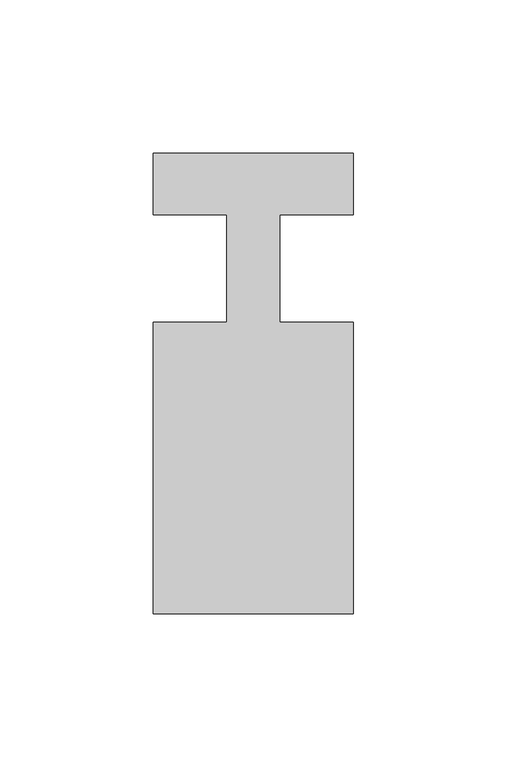
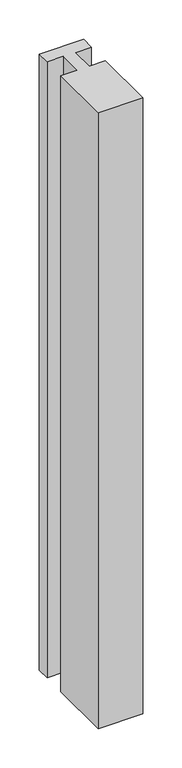
"""IFC4 building model written with IfcOpenShell, lengths in millimetres: member geometry."""

from ifc_helpers import new_model, si_unit, frame, origin, place, context, project, spatial, polyline, outline, extrude, source, transform, mapped, element, save


def member_3fa6e2c1(model_context):
    return source(origin(), model_context, "Body", "SweptSolid", [
        extrude(outline(polyline([(0.0, 37.0), (0.0, 17.0), (-23.8125, 17.0), (-23.8125, -18.0), (0.0, -18.0), (0.0, -113.0), (-65.0, -113.0), (-65.0, -18.0), (-41.1875, -18.0), (-41.1875, 17.0), (-65.0, 17.0), (-65.0, 37.0), (0.0, 37.0)])), frame((0.0, 0.0, -955.8333333), z_axis=(0.0, 0.0, 1.0), x_axis=(1.0, 0.0, 0.0)), (0.0, 0.0, 1.0), 955.8333333),
    ])


if __name__ == "__main__":
    model = new_model("IFC4")
    model_context = context("Model", 3, world=origin())
    ifc_project = project(units=[si_unit("LENGTHUNIT", "METRE", prefix="MILLI")], contexts=[model_context])
    site = spatial("IfcSite", under=ifc_project)
    building = spatial("IfcBuilding", under=site)
    placement = place(None, origin())
    member_shape = member_3fa6e2c1(model_context)
    element("IfcMember", 1, at=placement, inside=building, context=model_context, shape_type="MappedRepresentation", body=[
        mapped(member_shape, transform((0.0, 0.0, 0.0), x_axis=(1.0, 0.0, 0.0), y_axis=(0.0, 1.0, 0.0), z_axis=(0.0, 0.0, 1.0))),
    ])
    save(model, "model.ifc")
